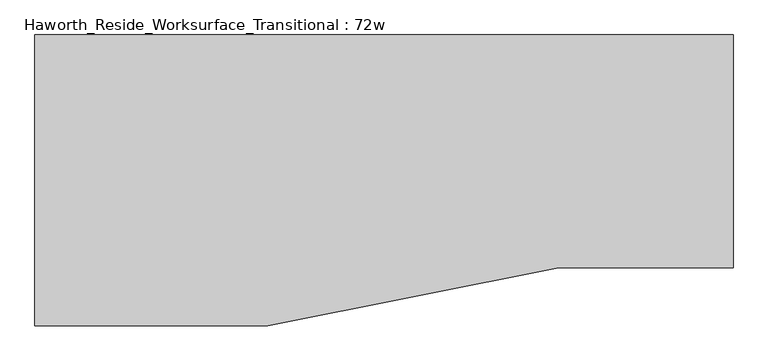
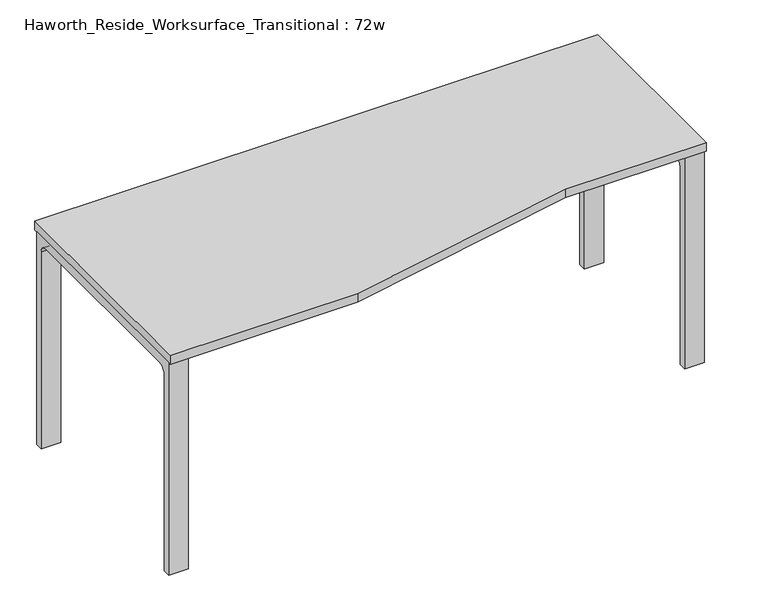
"""IFC4 building model written with IfcOpenShell, lengths in millimetres: furniture geometry, Haworth_Reside_Worksurface_Transitional : 72w."""

import ifcopenshell
import ifcopenshell.guid

model = None  # the IFC model being written
_history = None  # IfcOwnerHistory: only IFC2X3 demands one
_inside = {}  # id of a spatial element -> (the spatial element, [elements in it])
_under = {}  # id of a project, library or spatial element -> (it, [spatial elements below it])
_declared = {}  # id of a project -> (the project, [libraries it declares])
_typed = {}  # id of a type object -> (the type object, [elements of that type])
_made_of = {}  # id of a material, layer set ... -> (it, [elements and type objects made of it])


def new_model(schema):
    """Start an empty IFC model of exactly this schema.

    Asked for "IFC4X3", IfcOpenShell would pick the latest addendum, in which some entities
    have other attributes; the version numbers below select the first issue.
    IFC2X3 requires an IfcOwnerHistory on every rooted entity: one is made here for all.
    """
    global model, _history
    if schema == "IFC4X3":
        model = ifcopenshell.file(schema_version=(4, 3, 0, 0))
    else:
        model = ifcopenshell.file(schema=schema)
    _inside.clear()
    _under.clear()
    _declared.clear()
    _typed.clear()
    _made_of.clear()
    _history = None
    if model.schema == "IFC2X3":
        org = make("IfcOrganization", Name="unknown")
        user = make(
            "IfcPersonAndOrganization",
            ThePerson=make("IfcPerson", FamilyName="unknown"),
            TheOrganization=org,
        )
        app = make(
            "IfcApplication",
            ApplicationDeveloper=org,
            Version="unknown",
            ApplicationFullName="unknown",
            ApplicationIdentifier="unknown",
        )
        _history = make(
            "IfcOwnerHistory",
            OwningUser=user,
            OwningApplication=app,
            ChangeAction="ADDED",
            CreationDate=0,
        )
    return model


def make(cls, **values):
    """One entity of the class cls with the attributes given. An attribute that is None is left unset."""
    return model.create_entity(
        cls, **{name: value for name, value in values.items() if value is not None}
    )


def rooted(cls, **values):
    """An entity with a GlobalId (a new one), such as an element, a storey or a relation."""
    return make(cls, GlobalId=ifcopenshell.guid.new(), OwnerHistory=_history, **values)


def si_unit(unit_type, name, prefix=None):
    """IfcSIUnit, for example si_unit("LENGTHUNIT", "METRE", prefix="MILLI")."""
    return make("IfcSIUnit", UnitType=unit_type, Prefix=prefix, Name=name)


def assignment(units):
    """IfcUnitAssignment: the units of a project."""
    return None if units is None else make("IfcUnitAssignment", Units=units)


def point(xyz):
    """IfcCartesianPoint."""
    return None if xyz is None else make("IfcCartesianPoint", Coordinates=xyz)


def direction(xyz):
    """IfcDirection."""
    return None if xyz is None else make("IfcDirection", DirectionRatios=xyz)


def frame(location, z_axis=None, x_axis=None):
    """IfcAxis2Placement3D, a coordinate frame: its origin and axes. An axis left out is left unset."""
    return make(
        "IfcAxis2Placement3D",
        Location=point(location),
        Axis=direction(z_axis),
        RefDirection=direction(x_axis),
    )


def frame_2d(location, x_axis=None):
    """IfcAxis2Placement2D, a coordinate frame in the plane: its origin and x axis."""
    return make(
        "IfcAxis2Placement2D", Location=point(location), RefDirection=direction(x_axis)
    )


def origin():
    """The frame at (0, 0, 0) with its axes left unset."""
    return frame((0.0, 0.0, 0.0))


def place(relative_to, where):
    """IfcLocalPlacement: puts the frame where relative to a parent placement (None: the world)."""
    return make(
        "IfcLocalPlacement", PlacementRelTo=relative_to, RelativePlacement=where
    )


def context(
    kind, dimensions, precision=None, world=None, true_north=None, identifier=None
):
    """IfcGeometricRepresentationContext, for example the 3D "Model" context."""
    return make(
        "IfcGeometricRepresentationContext",
        ContextIdentifier=identifier,
        ContextType=kind,
        CoordinateSpaceDimension=dimensions,
        Precision=precision,
        WorldCoordinateSystem=world,
        TrueNorth=true_north,
    )


def project(units=None, contexts=None):
    """IfcProject with its units and contexts."""
    return rooted(
        "IfcProject",
        Name="project",
        RepresentationContexts=contexts,
        UnitsInContext=assignment(units),
    )


def spatial(cls, under=None, at=None, **own):
    """A site, building, storey or space (cls), placed at a placement, below another one or the project."""
    s = rooted(cls, ObjectPlacement=at, **own)
    if under is not None:
        _under.setdefault(under.id(), (under, []))[1].append(s)
    return s


def polyline(points):
    """IfcPolyline through the points."""
    return make("IfcPolyline", Points=[point(p) for p in points])


def circle_curve(where, radius):
    """IfcCircle in the frame where."""
    return make("IfcCircle", Position=where, Radius=radius)


def trimmed(basis, trim1, trim2, sense, master):
    """IfcTrimmedCurve: the piece of a basis curve between two trims."""
    return make(
        "IfcTrimmedCurve",
        BasisCurve=basis,
        Trim1=trim1,
        Trim2=trim2,
        SenseAgreement=sense,
        MasterRepresentation=master,
    )


def segment(curve, same_sense, transition):
    """IfcCompositeCurveSegment."""
    return make(
        "IfcCompositeCurveSegment",
        Transition=transition,
        SameSense=same_sense,
        ParentCurve=curve,
    )


def composite_curve(segments, self_intersect=None):
    """IfcCompositeCurve: segments joined end to end."""
    return make("IfcCompositeCurve", Segments=segments, SelfIntersect=self_intersect)


def outline(outer, holes=None, kind="AREA"):
    """IfcArbitraryClosedProfileDef: a profile drawn as a closed curve; with holes, ...WithVoids."""
    if holes is None:
        return make("IfcArbitraryClosedProfileDef", ProfileType=kind, OuterCurve=outer)
    return make(
        "IfcArbitraryProfileDefWithVoids",
        ProfileType=kind,
        OuterCurve=outer,
        InnerCurves=holes,
    )


def extrude(swept, where, along, depth):
    """IfcExtrudedAreaSolid: the profile swept, set in the frame where, extruded along a direction by depth."""
    return make(
        "IfcExtrudedAreaSolid",
        SweptArea=swept,
        Position=where,
        ExtrudedDirection=direction(along),
        Depth=depth,
    )


def shape(context_of_items, identifier, shape_type, items):
    """IfcShapeRepresentation: the items that make up one representation, for example the "Body"."""
    return make(
        "IfcShapeRepresentation",
        ContextOfItems=context_of_items,
        RepresentationIdentifier=identifier,
        RepresentationType=shape_type,
        Items=items,
    )


def source(mapping_origin, context_of_items, identifier, shape_type, items):
    """IfcRepresentationMap: a shape defined once, which mapped items show again and again."""
    return make(
        "IfcRepresentationMap",
        MappingOrigin=mapping_origin,
        MappedRepresentation=shape(context_of_items, identifier, shape_type, items),
    )


def transform(
    local_origin,
    x_axis=None,
    y_axis=None,
    z_axis=None,
    scale=None,
    scale2=None,
    scale3=None,
    uniform=True,
):
    """IfcCartesianTransformationOperator3D, or its non-uniform kind. x_axis, y_axis, z_axis: its Axis1, 2, 3."""
    if uniform:
        return make(
            "IfcCartesianTransformationOperator3D",
            Axis1=direction(x_axis),
            Axis2=direction(y_axis),
            LocalOrigin=point(local_origin),
            Scale=scale,
            Axis3=direction(z_axis),
        )
    return make(
        "IfcCartesianTransformationOperator3DnonUniform",
        Axis1=direction(x_axis),
        Axis2=direction(y_axis),
        LocalOrigin=point(local_origin),
        Scale=scale,
        Axis3=direction(z_axis),
        Scale2=scale2,
        Scale3=scale3,
    )


def mapped(mapping_source, mapping_target):
    """IfcMappedItem: shows the shape of a source again, moved by a transform."""
    return make(
        "IfcMappedItem", MappingSource=mapping_source, MappingTarget=mapping_target
    )


def made_of(thing, what):
    """Note that an element or type object is made of a material, layer set ...; save() writes the relation."""
    if what is not None:
        _made_of.setdefault(what.id(), (what, []))[1].append(thing)
    return thing


def element(
    cls,
    number,
    at=None,
    inside=None,
    cuts=None,
    type_object=None,
    material=None,
    context=None,
    identifier="Body",
    shape_type=None,
    held_by="IfcProductDefinitionShape",
    body=None,
    shapes=None,
    **own,
):
    """One element of the class cls, such as IfcWall. Its Tag is "e" and its number.

    at: its placement. inside: the storey or other place that contains it. cuts: it is an
    opening in that element (IfcRelVoidsElement). A single representation is given by context,
    identifier, shape_type and body (its items); several are given by shapes. held_by: the class
    of the entity that holds the representations. save() writes the other relations.
    """
    e = rooted(cls, Tag="e%d" % number, ObjectPlacement=at, **own)
    if body is not None:
        shapes = [shape(context, identifier, shape_type, body)]
    if shapes is not None:
        e.Representation = make(held_by, Representations=shapes)
    if inside is not None:
        _inside.setdefault(inside.id(), (inside, []))[1].append(e)
    if cuts is not None:
        rooted(
            "IfcRelVoidsElement", RelatingBuildingElement=cuts, RelatedOpeningElement=e
        )
    if type_object is not None:
        _typed.setdefault(type_object.id(), (type_object, []))[1].append(e)
    return made_of(e, material)


def aggregate(whole, parts):
    """IfcRelAggregates: a whole, such as a stair, and the parts it consists of."""
    return rooted("IfcRelAggregates", RelatingObject=whole, RelatedObjects=parts)


def save(model, path):
    """Write the relations noted so far, then the file.

    IfcRelAggregates (storeys below a building ...), IfcRelContainedInSpatialStructure (elements
    in a storey), IfcRelDefinesByType, IfcRelAssociatesMaterial and IfcRelDeclares: one each for
    every whole, place, type object, material and project.
    """
    for whole, parts in _under.values():
        aggregate(whole, parts)
    for where, things in _inside.values():
        rooted(
            "IfcRelContainedInSpatialStructure",
            RelatedElements=things,
            RelatingStructure=where,
        )
    for kind, things in _typed.values():
        rooted("IfcRelDefinesByType", RelatedObjects=things, RelatingType=kind)
    for what, things in _made_of.values():
        rooted("IfcRelAssociatesMaterial", RelatedObjects=things, RelatingMaterial=what)
    for by, libraries in _declared.values():
        rooted("IfcRelDeclares", RelatingContext=by, RelatedDefinitions=libraries)
    model.write(path)


def haworth_reside_worksurface_transitional_72w_7a523f09(model_context):
    return source(origin(), model_context, "Body", "SweptSolid", [
        extrude(outline(composite_curve([segment(trimmed(circle_curve(frame_2d((396.875, 676.275)), 25.4), [point((422.275, 676.275))], [point((396.875, 701.675))], True, "CARTESIAN"), True, "CONTINUOUS"), segment(polyline([(396.875, 701.675), (-92.075, 701.675)]), True, "CONTINUOUS"), segment(trimmed(circle_curve(frame_2d((-92.075, 676.275)), 25.4), [point((-92.075, 701.675))], [point((-117.475, 676.275))], True, "CARTESIAN"), True, "CONTINUOUS"), segment(polyline([(-117.475, 676.275), (-117.475, 0.0), (-142.875, 0.0), (-142.875, 731.8375), (447.675, 731.8375), (447.675, 0.0), (422.275, 0.0), (422.275, 676.275)]), True, "CONTINUOUS")], self_intersect=False)), frame((850.9, 0.0, 0.0), z_axis=(1.0, 0.0, 0.0), x_axis=(0.0, 1.0, 0.0)), (0.0, 0.0, 1.0), 63.5),
        extrude(outline(composite_curve([segment(trimmed(circle_curve(frame_2d((396.875, 676.275)), 25.4), [point((422.275, 676.275))], [point((396.875, 701.675))], True, "CARTESIAN"), True, "CONTINUOUS"), segment(polyline([(396.875, 701.675), (-244.475, 701.675)]), True, "CONTINUOUS"), segment(trimmed(circle_curve(frame_2d((-244.475, 676.275)), 25.4), [point((-244.475, 701.675))], [point((-269.875, 676.275))], True, "CARTESIAN"), True, "CONTINUOUS"), segment(polyline([(-269.875, 676.275), (-269.875, 0.0), (-295.275, 0.0), (-295.275, 731.8375), (447.675, 731.8375), (447.675, 0.0), (422.275, 0.0), (422.275, 676.275)]), True, "CONTINUOUS")], self_intersect=False)), frame((-914.4, 0.0, 0.0), z_axis=(1.0, 0.0, 0.0), x_axis=(0.0, 1.0, 0.0)), (0.0, 0.0, 1.0), 63.5),
        extrude(outline(polyline([(-914.4, 457.2), (914.4, 457.2), (914.4, -152.4), (457.2, -152.4), (-304.8, -304.8), (-914.4, -304.8), (-914.4, 457.2)])), frame((0.0, 0.0, 731.8375), z_axis=(0.0, 0.0, 1.0), x_axis=(1.0, 0.0, 0.0)), (0.0, 0.0, 1.0), 30.1625),
    ])


if __name__ == "__main__":
    model = new_model("IFC4")
    model_context = context("Model", 3, world=origin())
    ifc_project = project(units=[si_unit("LENGTHUNIT", "METRE", prefix="MILLI")], contexts=[model_context])
    site = spatial("IfcSite", under=ifc_project)
    building = spatial("IfcBuilding", under=site)
    placement = place(None, origin())
    haworth_reside_worksurface_transitional_72w_shape = haworth_reside_worksurface_transitional_72w_7a523f09(model_context)
    element("IfcFurniture", 1, ObjectType="Haworth_Reside_Worksurface_Transitional : 72w", at=placement, inside=building, context=model_context, shape_type="MappedRepresentation", body=[
        mapped(haworth_reside_worksurface_transitional_72w_shape, transform((0.0, 0.0, 0.0), x_axis=(1.0, 0.0, 0.0), y_axis=(0.0, 1.0, 0.0), z_axis=(0.0, 0.0, 1.0))),
    ])
    save(model, "model.ifc")
